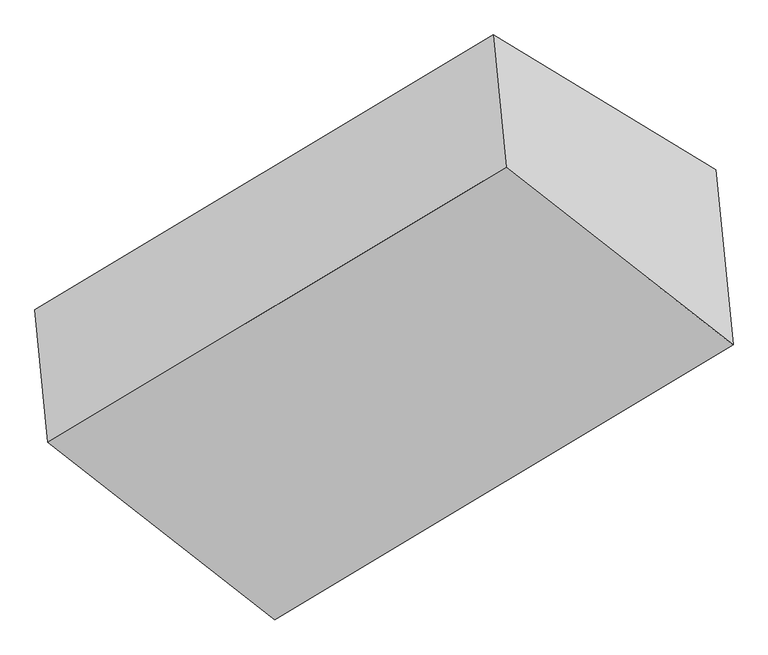
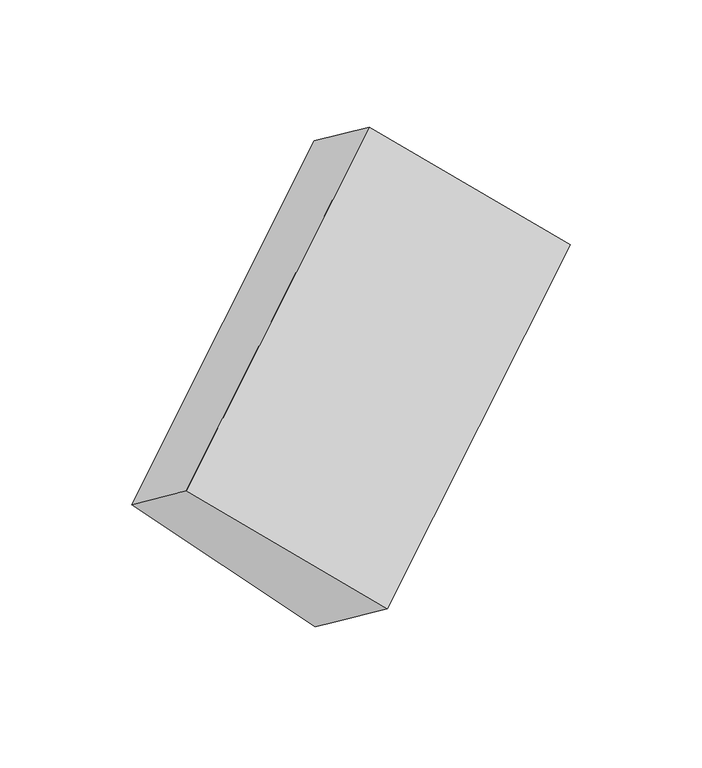
"""IFC4 building model written with IfcOpenShell, lengths in millimetres: proxy geometry."""

from ifc_helpers import new_model, si_unit, origin, place, context, project, spatial, faceted_brep, source, transform, mapped, element, save


def generic_models_cfdbf38e(model_context):
    return source(origin(), model_context, "Body", "Brep", [
        faceted_brep([(-3794.689379, -1569.4132993, 1597.6629187), (-3757.1277547, -1950.7753754, 1884.8598754), (-2437.9788883, -1158.8874127, 2756.7733349), (-2475.5405126, -777.5253366, 2469.5763783), (-3153.0308139, -1957.5676999, 998.3212406), (-1833.8819475, -1165.6797372, 1870.2347002), (-3140.4810975, -2084.9846043, 1094.2766318), (-1821.3322311, -1293.0966416, 1966.1900913), (-3103.431157, -2461.1515705, 1377.5612441), (-1784.2822906, -1669.2636078, 2249.4747037)], [[[0, 1, 2, 3]], [[4, 0, 5]], [[6, 4, 5, 7]], [[8, 6, 7, 9]], [[1, 8, 9, 2]], [[7, 5, 3, 2, 9]], [[1, 0, 4, 6, 8]], [[3, 5, 0]]]),
    ])


if __name__ == "__main__":
    model = new_model("IFC4")
    model_context = context("Model", 3, world=origin())
    ifc_project = project(units=[si_unit("LENGTHUNIT", "METRE", prefix="MILLI")], contexts=[model_context])
    site = spatial("IfcSite", under=ifc_project)
    building = spatial("IfcBuilding", under=site)
    placement = place(None, origin())
    generic_models_shape = generic_models_cfdbf38e(model_context)
    element("IfcBuildingElementProxy", 1, Name="Generic Models", at=placement, inside=building, context=model_context, shape_type="MappedRepresentation", body=[
        mapped(generic_models_shape, transform((0.0, 0.0, 0.0), x_axis=(1.0, 0.0, 0.0), y_axis=(0.0, 1.0, 0.0), z_axis=(0.0, 0.0, 1.0))),
    ])
    save(model, "model.ifc")
